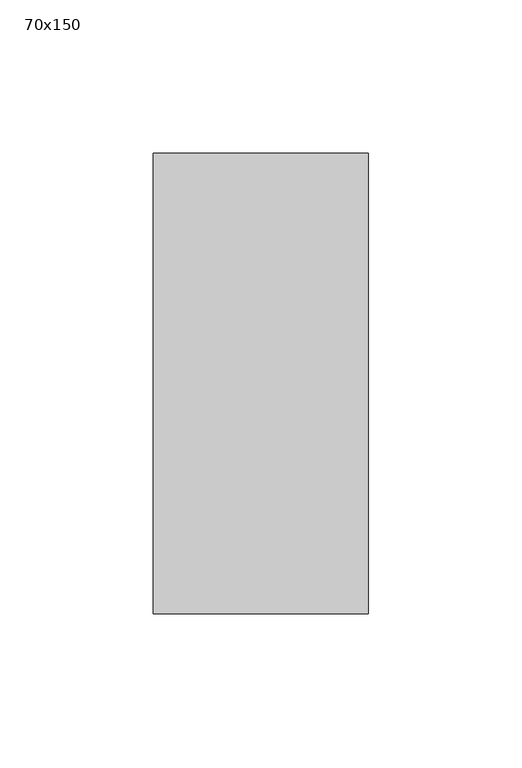
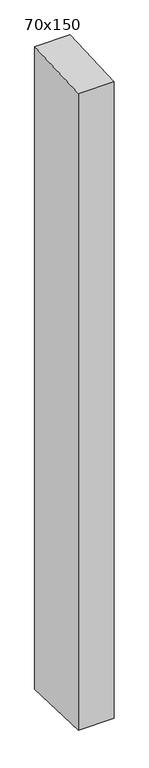
"""IFC4 building model written with IfcOpenShell, lengths in millimetres: member geometry, 70x150."""

from ifc_helpers import new_model, si_unit, frame, origin, place, context, project, spatial, polyline, outline, extrude, source, transform, mapped, element, save


def member_70x150_3f0d5e68(model_context):
    return source(origin(), model_context, "Body", "SweptSolid", [
        extrude(outline(polyline([(-75.0, -3.5103515), (75.0, 3.5103515), (75.0, -1337.3876224), (-75.0, -1331.2648871), (-75.0, -3.5103515)])), frame((-70.0, 0.0, 0.0), z_axis=(1.0, 0.0, 0.0), x_axis=(0.0, 1.0, 0.0)), (0.0, 0.0, 1.0), 70.0),
    ])


if __name__ == "__main__":
    model = new_model("IFC4")
    model_context = context("Model", 3, world=origin())
    ifc_project = project(units=[si_unit("LENGTHUNIT", "METRE", prefix="MILLI")], contexts=[model_context])
    site = spatial("IfcSite", under=ifc_project)
    building = spatial("IfcBuilding", under=site)
    placement = place(None, origin())
    member_70x150_shape = member_70x150_3f0d5e68(model_context)
    element("IfcMember", 1, ObjectType="70x150", at=placement, inside=building, context=model_context, shape_type="MappedRepresentation", body=[
        mapped(member_70x150_shape, transform((0.0, 0.0, 0.0), x_axis=(1.0, 0.0, 0.0), y_axis=(0.0, 1.0, 0.0), z_axis=(0.0, 0.0, 1.0))),
    ])
    save(model, "model.ifc")
